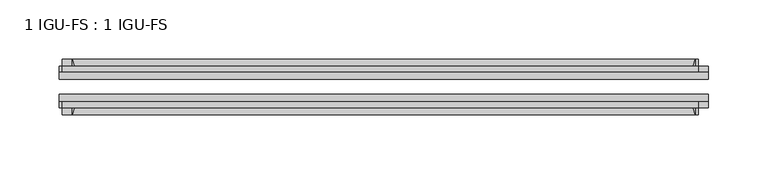
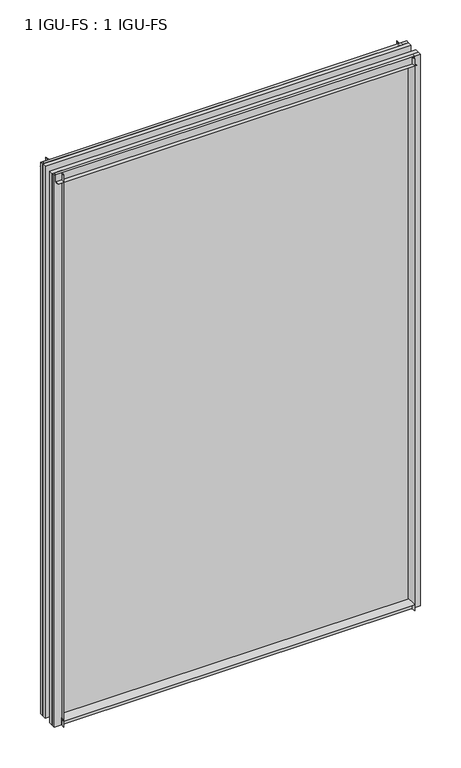
"""IFC4 building model written with IfcOpenShell, lengths in millimetres: plate geometry, 1 IGU-FS : 1 IGU-FS."""

from ifc_helpers import new_model, si_unit, point, frame, frame_2d, origin, place, context, project, spatial, polyline, circle_curve, trimmed, segment, composite_curve, outline, extrude, source, transform, mapped, element, save


def plate_1_igu_fs_1_igu_fs_e9ba5640(model_context):
    return source(origin(), model_context, "Body", "SweptSolid", [
        extrude(outline(composite_curve([segment(polyline([(-44.859575, -9.525), (-44.859575, 0.0), (-50.8285753, 0.0)]), True, "CONTINUOUS"), segment(trimmed(circle_curve(frame_2d((-56.4601953, 32.279754)), 32.7673262), [point((-50.8285753, 0.0))], [point((-40.084375, 3.8978906))], True, "CARTESIAN"), True, "CONTINUOUS"), segment(polyline([(-40.084375, 3.8978906), (-40.084375, -9.525), (-44.859575, -9.525)]), True, "CONTINUOUS")], self_intersect=False)), frame((-263.5273813, 0.0, 0.0), z_axis=(1.0, 0.0, 0.0), x_axis=(0.0, 1.0, 0.0)), (0.0, 0.0, 1.0), 527.0547625),
        extrude(outline(composite_curve([segment(polyline([(-9.909175, -9.525), (-14.684375, -9.525), (-14.684375, 3.8978906)]), True, "CONTINUOUS"), segment(trimmed(circle_curve(frame_2d((1.6914453, 32.279754)), 32.7673262), [point((-14.684375, 3.8978906))], [point((-3.9401747, 0.0))], True, "CARTESIAN"), True, "CONTINUOUS"), segment(polyline([(-3.9401747, 0.0), (-9.909175, 0.0), (-9.909175, -9.525)]), True, "CONTINUOUS")], self_intersect=False)), frame((-263.5273813, 0.0, 0.0), z_axis=(1.0, 0.0, 0.0), x_axis=(0.0, 1.0, 0.0)), (0.0, 0.0, 1.0), 527.0547625),
        extrude(outline(composite_curve([segment(polyline([(-9.909175, 865.1875), (-9.909175, 854.075), (-3.9401753, 854.075)]), True, "CONTINUOUS"), segment(trimmed(circle_curve(frame_2d((1.6914453, 821.7952461)), 32.7673262), [point((-3.9401753, 854.075))], [point((-14.684375, 850.1771095))], True, "CARTESIAN"), True, "CONTINUOUS"), segment(polyline([(-14.684375, 850.1771095), (-14.684375, 865.1875), (-9.909175, 865.1875)]), True, "CONTINUOUS")], self_intersect=False)), frame((-272.0401199, 0.0, 0.0), z_axis=(1.0, 0.0, 0.0), x_axis=(0.0, 1.0, 0.0)), (0.0, 0.0, 1.0), 538.1134626),
        extrude(outline(composite_curve([segment(polyline([(-40.084375, 865.1875), (-40.084375, 850.1771095)]), True, "CONTINUOUS"), segment(trimmed(circle_curve(frame_2d((-56.4601953, 821.7952461)), 32.7673262), [point((-40.084375, 850.1771095))], [point((-50.8285747, 854.075))], True, "CARTESIAN"), True, "CONTINUOUS"), segment(polyline([(-50.8285747, 854.075), (-44.859575, 854.075), (-44.859575, 865.1875), (-40.084375, 865.1875)]), True, "CONTINUOUS")], self_intersect=False)), frame((-272.0401199, 0.0, 0.0), z_axis=(1.0, 0.0, 0.0), x_axis=(0.0, 1.0, 0.0)), (0.0, 0.0, 1.0), 538.1134626),
        extrude(outline(composite_curve([segment(polyline([(274.6398813, -9.909175), (274.6398813, -14.684375), (259.6294907, -14.684375)]), True, "CONTINUOUS"), segment(trimmed(circle_curve(frame_2d((231.2476273, 1.6914453)), 32.7673262), [point((259.6294907, -14.684375))], [point((263.5273813, -3.940175))], True, "CARTESIAN"), True, "CONTINUOUS"), segment(polyline([(263.5273813, -3.940175), (263.5273813, -9.909175), (274.6398813, -9.909175)]), True, "CONTINUOUS")], self_intersect=False)), frame((0.0, 0.0, -9.525), z_axis=(0.0, 0.0, 1.0), x_axis=(1.0, 0.0, 0.0)), (0.0, 0.0, 1.0), 874.7125),
        extrude(outline(composite_curve([segment(polyline([(274.6398813, -40.084375), (274.6398813, -44.859575), (263.5273813, -44.859575), (263.5273813, -50.828575)]), True, "CONTINUOUS"), segment(trimmed(circle_curve(frame_2d((231.2476273, -56.4601953)), 32.7673262), [point((263.5273813, -50.828575))], [point((259.6294907, -40.084375))], True, "CARTESIAN"), True, "CONTINUOUS"), segment(polyline([(259.6294907, -40.084375), (274.6398813, -40.084375)]), True, "CONTINUOUS")], self_intersect=False)), frame((0.0, 0.0, -9.525), z_axis=(0.0, 0.0, 1.0), x_axis=(1.0, 0.0, 0.0)), (0.0, 0.0, 1.0), 874.7125),
        extrude(outline(composite_curve([segment(polyline([(-274.6398812, -9.909175), (-263.5273812, -9.909175), (-263.5273812, -3.940175)]), True, "CONTINUOUS"), segment(trimmed(circle_curve(frame_2d((-231.2476273, 1.6914453)), 32.7673262), [point((-263.5273812, -3.940175))], [point((-259.6294907, -14.684375))], True, "CARTESIAN"), True, "CONTINUOUS"), segment(polyline([(-259.6294907, -14.684375), (-274.6398812, -14.684375), (-274.6398812, -9.909175)]), True, "CONTINUOUS")], self_intersect=False)), frame((0.0, 0.0, -9.525), z_axis=(0.0, 0.0, 1.0), x_axis=(1.0, 0.0, 0.0)), (0.0, 0.0, 1.0), 874.7125),
        extrude(outline(composite_curve([segment(polyline([(-274.6398812, -44.859575), (-274.6398812, -40.084375), (-259.6294907, -40.084375)]), True, "CONTINUOUS"), segment(trimmed(circle_curve(frame_2d((-231.2476273, -56.4601953)), 32.7673262), [point((-259.6294907, -40.084375))], [point((-263.5273812, -50.828575))], True, "CARTESIAN"), True, "CONTINUOUS"), segment(polyline([(-263.5273812, -50.828575), (-263.5273812, -44.859575), (-274.6398812, -44.859575)]), True, "CONTINUOUS")], self_intersect=False)), frame((0.0, 0.0, -9.525), z_axis=(0.0, 0.0, 1.0), x_axis=(1.0, 0.0, 0.0)), (0.0, 0.0, 1.0), 874.7125),
        extrude(outline(polyline([(-274.6398813, -40.084375), (-274.6398813, -33.785175), (274.6398813, -33.785175), (274.6398813, -40.084375), (-274.6398813, -40.084375)])), frame((0.0, 0.0, -9.525), z_axis=(0.0, 0.0, 1.0), x_axis=(1.0, 0.0, 0.0)), (0.0, 0.0, 1.0), 874.7125),
        extrude(outline(polyline([(274.6398813, -20.983575), (-274.6398813, -20.983575), (-274.6398813, -14.684375), (274.6398813, -14.684375), (274.6398813, -20.983575)])), frame((0.0, 0.0, -9.525), z_axis=(0.0, 0.0, 1.0), x_axis=(1.0, 0.0, 0.0)), (0.0, 0.0, 1.0), 874.7125),
    ])


if __name__ == "__main__":
    model = new_model("IFC4")
    model_context = context("Model", 3, world=origin())
    ifc_project = project(units=[si_unit("LENGTHUNIT", "METRE", prefix="MILLI")], contexts=[model_context])
    site = spatial("IfcSite", under=ifc_project)
    building = spatial("IfcBuilding", under=site)
    placement = place(None, origin())
    plate_1_igu_fs_1_igu_fs_shape = plate_1_igu_fs_1_igu_fs_e9ba5640(model_context)
    element("IfcPlate", 1, ObjectType="1 IGU-FS : 1 IGU-FS", at=placement, inside=building, context=model_context, shape_type="MappedRepresentation", body=[
        mapped(plate_1_igu_fs_1_igu_fs_shape, transform((0.0, 0.0, 0.0), x_axis=(1.0, 0.0, 0.0), y_axis=(0.0, 1.0, 0.0), z_axis=(0.0, 0.0, 1.0))),
    ])
    save(model, "model.ifc")
